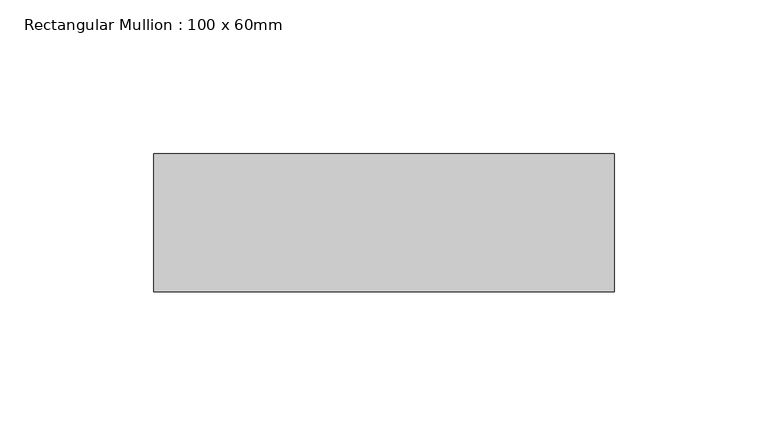
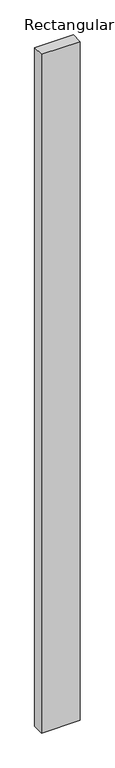
"""IFC4 building model written with IfcOpenShell, lengths in millimetres: member geometry, Rectangular Mullion : 100 x 60mm."""

from ifc_helpers import new_model, si_unit, frame, origin, place, context, project, spatial, polyline, outline, extrude, source, transform, mapped, element, save


def rectangular_mullion_100_x_60mm_f64e8fde(model_context):
    return source(origin(), model_context, "Body", "SweptSolid", [
        extrude(outline(polyline([(-150.0, -30.0), (-150.0, 15.0), (0.0, 15.0), (0.0, -30.0), (-150.0, -30.0)])), frame((0.0, 0.0, -2776.9853925), z_axis=(0.0, 0.0, 1.0), x_axis=(1.0, 0.0, 0.0)), (0.0, 0.0, 1.0), 2776.9853925),
    ])


if __name__ == "__main__":
    model = new_model("IFC4")
    model_context = context("Model", 3, world=origin())
    ifc_project = project(units=[si_unit("LENGTHUNIT", "METRE", prefix="MILLI")], contexts=[model_context])
    site = spatial("IfcSite", under=ifc_project)
    building = spatial("IfcBuilding", under=site)
    placement = place(None, origin())
    rectangular_mullion_100_x_60mm_shape = rectangular_mullion_100_x_60mm_f64e8fde(model_context)
    element("IfcMember", 1, ObjectType="Rectangular Mullion : 100 x 60mm", at=placement, inside=building, context=model_context, shape_type="MappedRepresentation", body=[
        mapped(rectangular_mullion_100_x_60mm_shape, transform((0.0, 0.0, 0.0), x_axis=(1.0, 0.0, 0.0), y_axis=(0.0, 1.0, 0.0), z_axis=(0.0, 0.0, 1.0))),
    ])
    save(model, "model.ifc")
